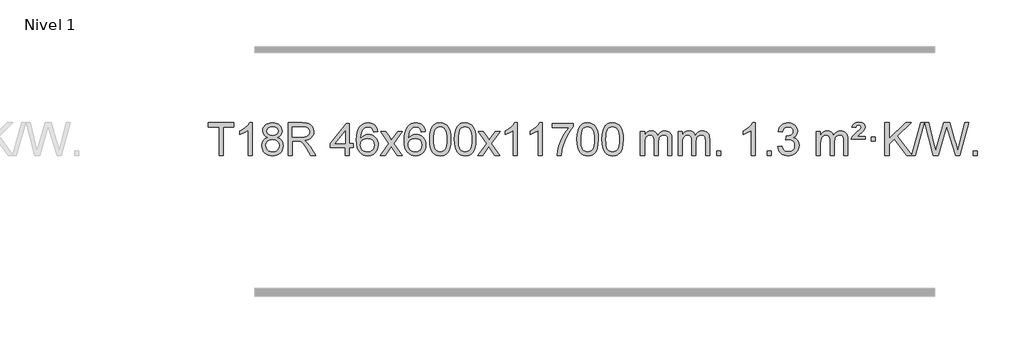
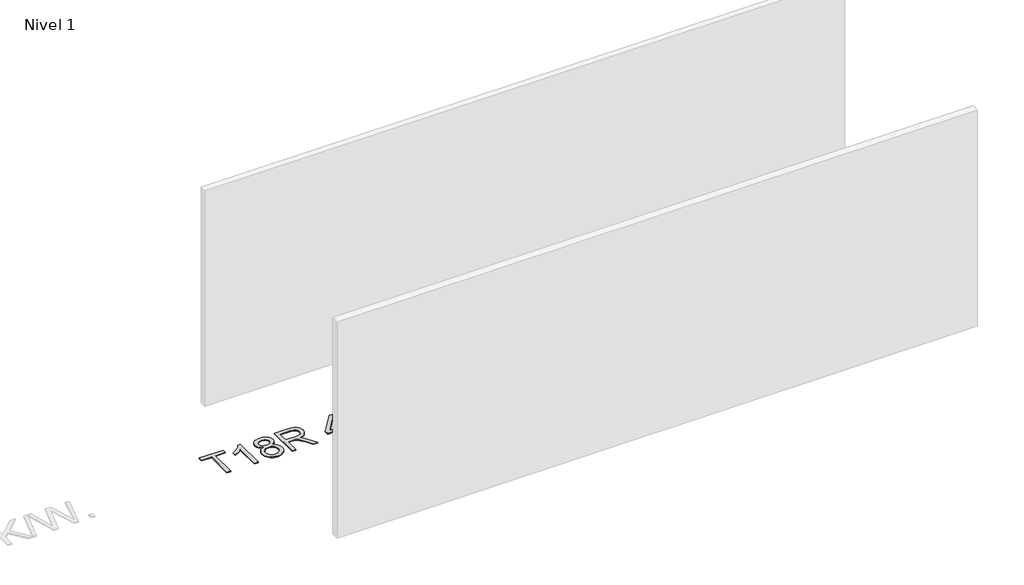
# One storey, part 7 of 7: 1 proxy.
"""IFC4 building model written with IfcOpenShell, lengths in millimetres."""

from ifc_helpers import new_model, si_unit, origin, origin_with_axes, place, context, project, spatial, polyline, outline, extrude, element, save

model = new_model("IFC4")

# Units and contexts
model_context = context("Model", 3, world=origin())
ifc_project = project(units=[si_unit("LENGTHUNIT", "METRE", prefix="MILLI")], contexts=[model_context])

# Site, building, storey
site = spatial("IfcSite", under=ifc_project)
building = spatial("IfcBuilding", under=site)
storey = spatial("IfcBuildingStorey", under=building, Name="Nivel 1", Elevation=0.0)

# Proxy
placement = place(None, origin())
element("IfcBuildingElementProxy", 1, Name="Texto de modelo 1", ObjectType="Texto de modelo 1", at=placement, inside=storey, context=model_context, shape_type="SweptSolid", body=[
    extrude(outline(polyline([(-14917.2438234, 8623.4579509), (-14917.2438234, 8975.0550364), (-15049.0927304, 8975.0550364), (-15049.0927304, 9025.2831915), (-14735.1667612, 9025.2831915), (-14735.1667612, 8975.0550364), (-14867.0156683, 8975.0550364), (-14867.0156683, 8623.4579509), (-14917.2438234, 8623.4579509)])), origin_with_axes(), (0.0, 0.0, 1.0), 10.0),
    extrude(outline(polyline([(-14509.1400634, 8623.4579509), (-14559.3682185, 8623.4579509), (-14559.3682185, 8936.5991052), (-14580.3374922, 8919.6397452), (-14606.9476232, 8902.7049107), (-14659.8245286, 8877.3455785), (-14659.8245286, 8924.8268813), (-14620.375316, 8946.2866644), (-14586.1990786, 8971.8176749), (-14559.2578539, 8998.9673661), (-14541.513679, 9025.2831915), (-14509.1400634, 9025.2831915), (-14509.1400634, 8623.4579509)])), origin_with_axes(), (0.0, 0.0, 1.0), 10.0),
    extrude(outline(polyline([(-14316.6642035, 8844.7757592), (-14343.5563773, 8858.019511), (-14362.4287237, 8875.9721524), (-14373.5755482, 8898.2658013), (-14377.2911563, 8924.5325757), (-14375.2678053, 8945.0174715), (-14369.1977524, 8963.7978474), (-14359.0809975, 8980.8737033), (-14344.9175407, 8996.2450393), (-14327.3879637, 9008.9492309), (-14307.172848, 9018.0236534), (-14284.2721938, 9023.468307), (-14258.6860011, 9025.2831915), (-14232.977181, 9023.4253874), (-14209.9048485, 9017.8519752), (-14189.4690037, 9008.5629548), (-14171.6696465, 8995.5583263), (-14157.2486723, 8979.8865533), (-14146.9479764, 8962.5960995), (-14140.7675589, 8943.686965), (-14138.7074197, 8923.1591496), (-14142.3739769, 8897.7385038), (-14153.3736486, 8875.8249996), (-14171.829062, 8857.9827228), (-14197.8628445, 8844.7757592), (-14166.9484942, 8828.8464688), (-14144.4463788, 8805.3878602), (-14130.7243804, 8775.528105), (-14126.1503809, 8740.3953744), (-14128.4189866, 8715.3426105), (-14135.2248035, 8692.3745113), (-14146.5678317, 8671.4910767), (-14162.4480711, 8652.6923068), (-14182.031656, 8637.1554238), (-14204.4847204, 8626.0576503), (-14229.8072644, 8619.3989862), (-14257.999288, 8617.1794315), (-14286.1913116, 8619.4081833), (-14311.5138556, 8626.0944385), (-14333.96692, 8637.2381973), (-14353.5505049, 8652.8394596), (-14369.4307443, 8671.7700539), (-14380.7737725, 8692.9018088), (-14387.5795894, 8716.2347244), (-14389.8481951, 8741.7688005), (-14385.0902546, 8778.2626945), (-14370.8164332, 8808.2818653), (-14347.7624948, 8830.7962434), (-14316.6642035, 8844.7757592)]), holes=[polyline([(-14327.0630012, 8923.0610478), (-14322.6116291, 8901.1352808), (-14309.2575127, 8883.6240979), (-14287.3930594, 8872.1461796), (-14257.4106768, 8868.3202069), (-14228.12727, 8872.1216542), (-14206.5939105, 8883.525996), (-14193.3501587, 8900.4485678), (-14188.9355748, 8920.8047049), (-14193.4973115, 8941.9333941), (-14207.1825217, 8959.4077889), (-14229.0101868, 8971.1432245), (-14257.999288, 8975.0550364), (-14287.1723302, 8971.2290637), (-14308.9632071, 8959.7511454), (-14322.5380527, 8942.9266755), (-14327.0630012, 8923.0610478)]), polyline([(-14339.62004, 8743.5346341), (-14337.5231126, 8724.3189312), (-14331.2323305, 8705.716365), (-14319.6195222, 8689.492769), (-14301.5565162, 8677.4139768), (-14279.9250549, 8669.9091841), (-14257.6068805, 8667.4075866), (-14223.4183805, 8672.6682991), (-14209.5247038, 8679.2441898), (-14197.7647427, 8688.4504367), (-14181.7250877, 8712.3505037), (-14176.378536, 8741.9650043), (-14181.8967659, 8772.0822769), (-14198.4514557, 8796.5096414), (-14210.5302479, 8805.951946), (-14224.6937047, 8812.6964492), (-14259.2746123, 8818.0920518), (-14292.9848657, 8812.7700256), (-14306.7221926, 8806.1174929), (-14318.3809861, 8796.803947), (-14334.3102765, 8772.8425664), (-14339.62004, 8743.5346341)])]), origin_with_axes(), (0.0, 0.0, 1.0), 10.0),
    extrude(outline(polyline([(-14063.3651871, 8623.4579509), (-14063.3651871, 9025.2831915), (-13890.2153947, 9025.2831915), (-13843.6783223, 9022.5731275), (-13809.820916, 9014.4429354), (-13785.0747205, 8999.43335), (-13765.8712803, 8976.085106), (-13753.5472335, 8947.132793), (-13749.4392179, 8915.3110004), (-13751.1406721, 8894.6728205), (-13756.2450348, 8875.7268977), (-13764.7523059, 8858.4732321), (-13776.6624855, 8842.9118237), (-13792.1288577, 8829.5393132), (-13811.3047067, 8818.8523413), (-13834.1900325, 8810.8509079), (-13860.7848351, 8805.535013), (-13832.2371923, 8784.0507045), (-13791.5249181, 8732.3510215), (-13724.5213441, 8623.4579509), (-13782.891954, 8623.4579509), (-13835.1802482, 8706.7464346), (-13872.9494664, 8761.8796829), (-13886.9902959, 8777.9561261), (-13899.486021, 8787.9257282), (-13923.3738252, 8797.4906601), (-13952.5100792, 8799.2564936), (-14013.137032, 8799.2564936), (-14013.137032, 8623.4579509), (-14063.3651871, 8623.4579509)]), holes=[polyline([(-14013.137032, 8849.4846487), (-13900.7122943, 8849.4846487), (-13868.4245178, 8851.262745), (-13843.371754, 8856.597034), (-13824.5116704, 8865.8431348), (-13810.8019347, 8879.3566667), (-13802.4510134, 8895.70289), (-13799.6673729, 8913.4470649), (-13804.9771364, 8937.9480058), (-13820.9064268, 8957.6910062), (-13833.0679924, 8965.2877694), (-13848.3136354, 8970.7140289), (-13888.0571537, 8975.0550364), (-14013.137032, 8975.0550364), (-14013.137032, 8849.4846487)])]), origin_with_axes(), (0.0, 0.0, 1.0), 10.0),
    extrude(outline(polyline([(-13360.171016, 8623.4579509), (-13360.171016, 8717.6357417), (-13542.2480782, 8717.6357417), (-13542.2480782, 8767.8638967), (-13347.6139773, 9019.0046721), (-13309.942861, 9019.0046721), (-13309.942861, 8767.8638967), (-13259.7147059, 8767.8638967), (-13259.7147059, 8717.6357417), (-13309.942861, 8717.6357417), (-13309.942861, 8623.4579509), (-13360.171016, 8623.4579509)]), holes=[polyline([(-13360.171016, 8767.8638967), (-13360.171016, 8923.0610478), (-13480.443903, 8767.8638967), (-13360.171016, 8767.8638967)])]), origin_with_axes(), (0.0, 0.0, 1.0), 10.0),
    extrude(outline(polyline([(-12958.3457754, 8918.5483619), (-13008.5739305, 8912.2698426), (-13016.6673344, 8937.1631909), (-13027.6056924, 8954.1593391), (-13050.3898506, 8969.8311121), (-13077.9319493, 8975.0550364), (-13101.2801933, 8972.0138786), (-13123.2550111, 8962.8904051), (-13142.1273575, 8943.6747022), (-13157.5416131, 8917.2239868), (-13167.9526736, 8879.8103879), (-13171.8154345, 8827.7060346), (-13151.6677639, 8851.2136941), (-13127.5224423, 8867.7806466), (-13100.7283703, 8877.6030959), (-13072.6344486, 8880.8772456), (-13048.5013897, 8878.6392968), (-13026.2322663, 8871.9254504), (-13005.8270783, 8860.7357064), (-12987.2858257, 8845.0700648), (-12971.8777015, 8825.8604933), (-12960.8718985, 8804.0389596), (-12954.2684167, 8779.6054637), (-12952.0672561, 8752.5600057), (-12956.2120599, 8716.5934093), (-12968.6464713, 8683.2510378), (-12988.3404208, 8654.9731751), (-13014.2638387, 8634.2001051), (-13045.2395027, 8621.4345999), (-13080.0901904, 8617.1794315), (-13110.0327191, 8619.9998601), (-13137.0751114, 8628.461146), (-13161.2173674, 8642.5632892), (-13182.4594869, 8662.3062896), (-13199.7775318, 8688.5240131), (-13212.1475639, 8722.0503256), (-13219.5695832, 8762.8852271), (-13222.0435896, 8811.0287175), (-13219.2967374, 8865.0031376), (-13211.0561807, 8911.0680947), (-13197.3219195, 8949.223589), (-13178.0939539, 8979.4696204), (-13157.2534389, 8999.5130577), (-13133.0897232, 9013.8297987), (-13105.6028067, 9022.4198433), (-13074.7926896, 9025.2831915), (-13051.6590435, 9023.5112265), (-13030.7204266, 9018.1953317), (-13011.976839, 9009.335507), (-12995.4282806, 8996.9317524), (-12981.5223411, 8981.4010008), (-12970.7066105, 8963.1601852), (-12962.9810886, 8942.2093056), (-12958.3457754, 8918.5483619)]), holes=[polyline([(-13171.8154345, 8753.3448206), (-13168.9091667, 8731.0879599), (-13160.1903635, 8709.8366434), (-13146.652306, 8691.5651709), (-13129.2882759, 8678.2478427), (-13108.3312649, 8670.1176506), (-13084.014265, 8667.4075866), (-13050.8680972, 8673.0239184), (-13036.9529608, 8680.0443331), (-13024.8097892, 8689.8729137), (-13014.9597488, 8702.1111215), (-13007.9240057, 8716.3604174), (-13002.2954111, 8750.892274), (-13007.8504293, 8784.0384418), (-13014.7942019, 8797.6592727), (-13024.5154836, 8809.3119348), (-13036.6954434, 8818.6469405), (-13051.01525, 8825.3148016), (-13086.0744042, 8830.6490906), (-13119.171521, 8825.3148016), (-13146.8485098, 8809.3119348), (-13157.7715393, 8797.8125568), (-13165.5737033, 8784.6515784), (-13170.2550017, 8769.8289997), (-13171.8154345, 8753.3448206)])]), origin_with_axes(), (0.0, 0.0, 1.0), 10.0),
    extrude(outline(polyline([(-12926.9531785, 8623.4579509), (-12819.6297378, 8771.7879713), (-12920.6746591, 8918.5483619), (-12860.2439101, 8918.5483619), (-12811.487283, 8847.9150189), (-12788.7276502, 8814.5603846), (-12769.0091753, 8841.8327032), (-12713.4835195, 8918.5483619), (-12653.0527704, 8918.5483619), (-12759.1989887, 8771.7879713), (-12656.976845, 8623.4579509), (-12717.4075941, 8623.4579509), (-12778.9174637, 8712.6325465), (-12790.1991782, 8728.9174562), (-12866.5224294, 8623.4579509), (-12926.9531785, 8623.4579509)])), origin_with_axes(), (0.0, 0.0, 1.0), 10.0),
    extrude(outline(polyline([(-12368.1649533, 8918.5483619), (-12418.3931084, 8912.2698426), (-12426.4865123, 8937.1631909), (-12437.4248703, 8954.1593391), (-12460.2090285, 8969.8311121), (-12487.7511272, 8975.0550364), (-12511.0993712, 8972.0138786), (-12533.074189, 8962.8904051), (-12551.9465354, 8943.6747022), (-12567.360791, 8917.2239868), (-12577.7718514, 8879.8103879), (-12581.6346124, 8827.7060346), (-12561.4869418, 8851.2136941), (-12537.3416202, 8867.7806466), (-12510.5475482, 8877.6030959), (-12482.4536265, 8880.8772456), (-12458.3205676, 8878.6392968), (-12436.0514442, 8871.9254504), (-12415.6462562, 8860.7357064), (-12397.1050036, 8845.0700648), (-12381.6968794, 8825.8604933), (-12370.6910763, 8804.0389596), (-12364.0875945, 8779.6054637), (-12361.8864339, 8752.5600057), (-12366.0312377, 8716.5934093), (-12378.4656492, 8683.2510378), (-12398.1595987, 8654.9731751), (-12424.0830166, 8634.2001051), (-12455.0586806, 8621.4345999), (-12489.9093683, 8617.1794315), (-12519.851897, 8619.9998601), (-12546.8942893, 8628.461146), (-12571.0365452, 8642.5632892), (-12592.2786648, 8662.3062896), (-12609.5967097, 8688.5240131), (-12621.9667418, 8722.0503256), (-12629.388761, 8762.8852271), (-12631.8627675, 8811.0287175), (-12629.1159152, 8865.0031376), (-12620.8753585, 8911.0680947), (-12607.1410974, 8949.223589), (-12587.9131318, 8979.4696204), (-12567.0726167, 8999.5130577), (-12542.908901, 9013.8297987), (-12515.4219846, 9022.4198433), (-12484.6118675, 9025.2831915), (-12461.4782214, 9023.5112265), (-12440.5396045, 9018.1953317), (-12421.7960168, 9009.335507), (-12405.2474584, 8996.9317524), (-12391.341519, 8981.4010008), (-12380.5257884, 8963.1601852), (-12372.8002665, 8942.2093056), (-12368.1649533, 8918.5483619)]), holes=[polyline([(-12581.6346124, 8753.3448206), (-12578.7283446, 8731.0879599), (-12570.0095413, 8709.8366434), (-12556.4714839, 8691.5651709), (-12539.1074537, 8678.2478427), (-12518.1504427, 8670.1176506), (-12493.8334429, 8667.4075866), (-12460.6872751, 8673.0239184), (-12446.7721386, 8680.0443331), (-12434.6289671, 8689.8729137), (-12424.7789267, 8702.1111215), (-12417.7431835, 8716.3604174), (-12412.114589, 8750.892274), (-12417.6696071, 8784.0384418), (-12424.6133798, 8797.6592727), (-12434.3346615, 8809.3119348), (-12446.5146212, 8818.6469405), (-12460.8344279, 8825.3148016), (-12495.893582, 8830.6490906), (-12528.9906989, 8825.3148016), (-12556.6676876, 8809.3119348), (-12567.5907172, 8797.8125568), (-12575.3928812, 8784.6515784), (-12580.0741796, 8769.8289997), (-12581.6346124, 8753.3448206)])]), origin_with_axes(), (0.0, 0.0, 1.0), 10.0),
    extrude(outline(polyline([(-12317.9367982, 8821.1332096), (-12314.2457156, 8885.4512451), (-12303.1724675, 8936.746258), (-12284.8274187, 8975.8030631), (-12272.9693557, 8991.0364434), (-12259.3209337, 9003.4064755), (-12243.8361674, 9012.9775387), (-12226.4690715, 9019.8140125), (-12186.0878912, 9025.2831915), (-12155.1367526, 9022.0458299), (-12127.4229757, 9012.3337453), (-12104.24641, 8996.5270822), (-12086.9069053, 8975.0059855), (-12073.8103062, 8947.9543961), (-12063.3624576, 8915.5562551), (-12056.5198525, 8874.4147853), (-12054.2389841, 8821.1332096), (-12057.8932786, 8757.1830561), (-12068.856162, 8706.0106706), (-12087.0908463, 8666.9170772), (-12098.9213181, 8651.6377117), (-12112.5605431, 8639.2033003), (-12128.0637035, 8629.5678577), (-12145.4859816, 8622.6853987), (-12186.0878912, 8617.1794315), (-12213.7526172, 8619.5706645), (-12238.2780835, 8626.7443634), (-12259.6642902, 8638.7005282), (-12277.9112372, 8655.439159), (-12295.4224201, 8685.6974531), (-12307.930408, 8723.3992262), (-12315.4352007, 8768.5444784), (-12317.9367982, 8821.1332096)]), holes=[polyline([(-12267.7086432, 8821.2313115), (-12266.2371152, 8777.5667843), (-12261.8225312, 8742.2225217), (-12254.4648913, 8715.1985234), (-12244.1641955, 8696.4947897), (-12231.7052586, 8683.7691383), (-12217.8728956, 8674.6793873), (-12202.6671064, 8669.2255368), (-12186.0878912, 8667.4075866), (-12169.5086759, 8669.2316681), (-12154.3028868, 8674.7039128), (-12140.4705238, 8683.8243206), (-12128.0115869, 8696.5928915), (-12117.710891, 8715.3272821), (-12110.3532511, 8742.345149), (-12105.9386672, 8777.6464921), (-12104.4671392, 8821.2313115), (-12105.8896162, 8863.740076), (-12110.1570474, 8898.462005), (-12117.2694326, 8925.3970984), (-12127.2267719, 8944.5453563), (-12139.4772424, 8957.8933413), (-12153.4690209, 8967.4276164), (-12169.2021076, 8973.1481814), (-12186.6765024, 8975.0550364), (-12203.1698785, 8973.375042), (-12218.1181502, 8968.3350586), (-12231.5213176, 8959.9350864), (-12243.3793805, 8948.1751253), (-12254.0234329, 8927.3284789), (-12261.6263275, 8899.2222945), (-12266.1880643, 8863.856572), (-12267.7086432, 8821.2313115)])]), origin_with_axes(), (0.0, 0.0, 1.0), 10.0),
    extrude(outline(polyline([(-12010.2893484, 8821.1332096), (-12006.5982657, 8885.4512451), (-11995.5250177, 8936.746258), (-11977.1799688, 8975.8030631), (-11965.3219059, 8991.0364434), (-11951.6734838, 9003.4064755), (-11936.1887175, 9012.9775387), (-11918.8216217, 9019.8140125), (-11878.4404413, 9025.2831915), (-11847.4893028, 9022.0458299), (-11819.7755258, 9012.3337453), (-11796.5989601, 8996.5270822), (-11779.2594554, 8975.0059855), (-11766.1628564, 8947.9543961), (-11755.7150077, 8915.5562551), (-11748.8724026, 8874.4147853), (-11746.5915343, 8821.1332096), (-11750.2458287, 8757.1830561), (-11761.2087122, 8706.0106706), (-11779.4433964, 8666.9170772), (-11791.2738683, 8651.6377117), (-11804.9130932, 8639.2033003), (-11820.4162536, 8629.5678577), (-11837.8385318, 8622.6853987), (-11878.4404413, 8617.1794315), (-11906.1051674, 8619.5706645), (-11930.6306337, 8626.7443634), (-11952.0168404, 8638.7005282), (-11970.2637873, 8655.439159), (-11987.7749703, 8685.6974531), (-12000.2829581, 8723.3992262), (-12007.7877508, 8768.5444784), (-12010.2893484, 8821.1332096)]), holes=[polyline([(-11960.0611933, 8821.2313115), (-11958.5896654, 8777.5667843), (-11954.1750814, 8742.2225217), (-11946.8174415, 8715.1985234), (-11936.5167456, 8696.4947897), (-11924.0578087, 8683.7691383), (-11910.2254457, 8674.6793873), (-11895.0196566, 8669.2255368), (-11878.4404413, 8667.4075866), (-11861.8612261, 8669.2316681), (-11846.655437, 8674.7039128), (-11832.8230739, 8683.8243206), (-11820.364137, 8696.5928915), (-11810.0634412, 8715.3272821), (-11802.7058013, 8742.345149), (-11798.2912173, 8777.6464921), (-11796.8196893, 8821.2313115), (-11798.2421664, 8863.740076), (-11802.5095975, 8898.462005), (-11809.6219828, 8925.3970984), (-11819.5793221, 8944.5453563), (-11831.8297925, 8957.8933413), (-11845.8215711, 8967.4276164), (-11861.5546578, 8973.1481814), (-11879.0290525, 8975.0550364), (-11895.5224286, 8973.375042), (-11910.4707004, 8968.3350586), (-11923.8738677, 8959.9350864), (-11935.7319307, 8948.1751253), (-11946.3759831, 8927.3284789), (-11953.9788777, 8899.2222945), (-11958.5406144, 8863.856572), (-11960.0611933, 8821.2313115)])]), origin_with_axes(), (0.0, 0.0, 1.0), 10.0),
    extrude(outline(polyline([(-11721.4774567, 8623.4579509), (-11614.154016, 8771.7879713), (-11715.1989373, 8918.5483619), (-11654.7681883, 8918.5483619), (-11606.0115612, 8847.9150189), (-11583.2519284, 8814.5603846), (-11563.5334535, 8841.8327032), (-11508.0077977, 8918.5483619), (-11447.5770486, 8918.5483619), (-11553.7232669, 8771.7879713), (-11451.5011232, 8623.4579509), (-11511.9318723, 8623.4579509), (-11573.4417419, 8712.6325465), (-11584.7234564, 8728.9174562), (-11661.0467077, 8623.4579509), (-11721.4774567, 8623.4579509)])), origin_with_axes(), (0.0, 0.0, 1.0), 10.0),
    extrude(outline(polyline([(-11231.7529447, 8623.4579509), (-11281.9810998, 8623.4579509), (-11281.9810998, 8936.5991052), (-11302.9503735, 8919.6397452), (-11329.5605045, 8902.7049107), (-11382.43741, 8877.3455785), (-11382.43741, 8924.8268813), (-11342.9881974, 8946.2866644), (-11308.81196, 8971.8176749), (-11281.8707352, 8998.9673661), (-11264.1265603, 9025.2831915), (-11231.7529447, 9025.2831915), (-11231.7529447, 8623.4579509)])), origin_with_axes(), (0.0, 0.0, 1.0), 10.0),
    extrude(outline(polyline([(-10924.1054949, 8623.4579509), (-10974.33365, 8623.4579509), (-10974.33365, 8936.5991052), (-10995.3029237, 8919.6397452), (-11021.9130547, 8902.7049107), (-11074.7899601, 8877.3455785), (-11074.7899601, 8924.8268813), (-11035.3407475, 8946.2866644), (-11001.1645102, 8971.8176749), (-10974.2232854, 8998.9673661), (-10956.4791105, 9025.2831915), (-10924.1054949, 9025.2831915), (-10924.1054949, 8623.4579509)])), origin_with_axes(), (0.0, 0.0, 1.0), 10.0),
    extrude(outline(polyline([(-10804.8136266, 8968.776517), (-10804.8136266, 9019.0046721), (-10541.1158125, 9019.0046721), (-10541.1158125, 8978.3904998), (-10578.7010896, 8930.8233579), (-10615.9184848, 8870.3312951), (-10648.7458215, 8802.4325415), (-10673.1609233, 8732.6453271), (-10685.1293508, 8680.4306092), (-10691.8002777, 8623.4579509), (-10742.0284328, 8623.4579509), (-10736.596042, 8675.2312103), (-10722.0647032, 8736.7656054), (-10698.8268238, 8801.9910831), (-10667.2748113, 8864.8375907), (-10630.4375609, 8921.6508334), (-10591.3439675, 8968.776517), (-10804.8136266, 8968.776517)])), origin_with_axes(), (0.0, 0.0, 1.0), 10.0),
    extrude(outline(polyline([(-10497.1661768, 8821.1332096), (-10493.4750941, 8885.4512451), (-10482.401846, 8936.746258), (-10464.0567972, 8975.8030631), (-10452.1987342, 8991.0364434), (-10438.5503122, 9003.4064755), (-10423.0655459, 9012.9775387), (-10405.69845, 9019.8140125), (-10365.3172697, 9025.2831915), (-10334.3661312, 9022.0458299), (-10306.6523542, 9012.3337453), (-10283.4757885, 8996.5270822), (-10266.1362838, 8975.0059855), (-10253.0396848, 8947.9543961), (-10242.5918361, 8915.5562551), (-10235.749231, 8874.4147853), (-10233.4683626, 8821.1332096), (-10237.1226571, 8757.1830561), (-10248.0855406, 8706.0106706), (-10266.3202248, 8666.9170772), (-10278.1506966, 8651.6377117), (-10291.7899216, 8639.2033003), (-10307.293082, 8629.5678577), (-10324.7153602, 8622.6853987), (-10365.3172697, 8617.1794315), (-10392.9819957, 8619.5706645), (-10417.5074621, 8626.7443634), (-10438.8936687, 8638.7005282), (-10457.1406157, 8655.439159), (-10474.6517987, 8685.6974531), (-10487.1597865, 8723.3992262), (-10494.6645792, 8768.5444784), (-10497.1661768, 8821.1332096)]), holes=[polyline([(-10446.9380217, 8821.2313115), (-10445.4664937, 8777.5667843), (-10441.0519098, 8742.2225217), (-10433.6942699, 8715.1985234), (-10423.393574, 8696.4947897), (-10410.9346371, 8683.7691383), (-10397.1022741, 8674.6793873), (-10381.896485, 8669.2255368), (-10365.3172697, 8667.4075866), (-10348.7380545, 8669.2316681), (-10333.5322653, 8674.7039128), (-10319.6999023, 8683.8243206), (-10307.2409654, 8696.5928915), (-10296.9402695, 8715.3272821), (-10289.5826296, 8742.345149), (-10285.1680457, 8777.6464921), (-10283.6965177, 8821.2313115), (-10285.1189948, 8863.740076), (-10289.3864259, 8898.462005), (-10296.4988111, 8925.3970984), (-10306.4561505, 8944.5453563), (-10318.7066209, 8957.8933413), (-10332.6983995, 8967.4276164), (-10348.4314861, 8973.1481814), (-10365.9058809, 8975.0550364), (-10382.399257, 8973.375042), (-10397.3475288, 8968.3350586), (-10410.7506961, 8959.9350864), (-10422.6087591, 8948.1751253), (-10433.2528115, 8927.3284789), (-10440.855706, 8899.2222945), (-10445.4174428, 8863.856572), (-10446.9380217, 8821.2313115)])]), origin_with_axes(), (0.0, 0.0, 1.0), 10.0),
    extrude(outline(polyline([(-10189.5187269, 8821.1332096), (-10185.8276443, 8885.4512451), (-10174.7543962, 8936.746258), (-10156.4093474, 8975.8030631), (-10144.5512844, 8991.0364434), (-10130.9028624, 9003.4064755), (-10115.4180961, 9012.9775387), (-10098.0510002, 9019.8140125), (-10057.6698199, 9025.2831915), (-10026.7186813, 9022.0458299), (-9999.0049044, 9012.3337453), (-9975.8283387, 8996.5270822), (-9958.488834, 8975.0059855), (-9945.3922349, 8947.9543961), (-9934.9443863, 8915.5562551), (-9928.1017812, 8874.4147853), (-9925.8209128, 8821.1332096), (-9929.4752073, 8757.1830561), (-9940.4380907, 8706.0106706), (-9958.672775, 8666.9170772), (-9970.5032468, 8651.6377117), (-9984.1424718, 8639.2033003), (-9999.6456322, 8629.5678577), (-10017.0679103, 8622.6853987), (-10057.6698199, 8617.1794315), (-10085.3345459, 8619.5706645), (-10109.8600123, 8626.7443634), (-10131.2462189, 8638.7005282), (-10149.4931659, 8655.439159), (-10167.0043488, 8685.6974531), (-10179.5123367, 8723.3992262), (-10187.0171294, 8768.5444784), (-10189.5187269, 8821.1332096)]), holes=[polyline([(-10139.2905719, 8821.2313115), (-10137.8190439, 8777.5667843), (-10133.4044599, 8742.2225217), (-10126.04682, 8715.1985234), (-10115.7461242, 8696.4947897), (-10103.2871873, 8683.7691383), (-10089.4548243, 8674.6793873), (-10074.2490351, 8669.2255368), (-10057.6698199, 8667.4075866), (-10041.0906046, 8669.2316681), (-10025.8848155, 8674.7039128), (-10012.0524525, 8683.8243206), (-9999.5935156, 8696.5928915), (-9989.2928197, 8715.3272821), (-9981.9351798, 8742.345149), (-9977.5205959, 8777.6464921), (-9976.0490679, 8821.2313115), (-9977.4715449, 8863.740076), (-9981.7389761, 8898.462005), (-9988.8513613, 8925.3970984), (-9998.8087006, 8944.5453563), (-10011.0591711, 8957.8933413), (-10025.0509496, 8967.4276164), (-10040.7840363, 8973.1481814), (-10058.2584311, 8975.0550364), (-10074.7518072, 8973.375042), (-10089.7000789, 8968.3350586), (-10103.1032463, 8959.9350864), (-10114.9613093, 8948.1751253), (-10125.6053616, 8927.3284789), (-10133.2082562, 8899.2222945), (-10137.769993, 8863.856572), (-10139.2905719, 8821.2313115)])]), origin_with_axes(), (0.0, 0.0, 1.0), 10.0),
    extrude(outline(polyline([(-9712.3512537, 8623.4579509), (-9712.3512537, 8918.5483619), (-9662.1230987, 8918.5483619), (-9662.1230987, 8869.9879386), (-9647.0154114, 8892.2938502), (-9627.591242, 8909.768245), (-9604.5127782, 8921.0622222), (-9578.4422075, 8924.8268813), (-9550.5077013, 8920.9886459), (-9528.1159505, 8909.4739394), (-9511.3895825, 8891.0430514), (-9500.4512245, 8866.4562714), (-9482.1429639, 8891.9934133), (-9461.2595293, 8910.2342289), (-9437.8009207, 8921.1787182), (-9411.7671382, 8924.8268813), (-9391.6593215, 8923.3093681), (-9374.0101828, 8918.7568284), (-9358.8197221, 8911.1692623), (-9346.0879393, 8900.5466697), (-9336.0233011, 8886.7664232), (-9328.8342738, 8869.7058957), (-9324.5208574, 8849.3650871), (-9323.0830519, 8825.7439973), (-9323.0830519, 8623.4579509), (-9373.311207, 8623.4579509), (-9373.311207, 8804.1615869), (-9374.4761666, 8829.2143508), (-9377.9710456, 8846.1001344), (-9384.5193451, 8857.6638917), (-9394.8445664, 8866.750577), (-9408.1251065, 8872.636689), (-9423.5393621, 8874.5987263), (-9450.750367, 8869.5710057), (-9472.9336513, 8854.4878439), (-9481.5390243, 8842.9179551), (-9487.6857193, 8828.3191713), (-9492.6030753, 8790.0349183), (-9492.6030753, 8623.4579509), (-9542.8312304, 8623.4579509), (-9542.8312304, 8809.7533932), (-9545.7374981, 8838.1538833), (-9554.4563014, 8858.4119185), (-9569.7969806, 8870.5520243), (-9592.5688761, 8874.5987263), (-9611.919469, 8871.900925), (-9629.7494831, 8863.8075211), (-9644.4647629, 8850.5147183), (-9654.4711532, 8832.2187204), (-9660.2101123, 8806.8348627), (-9662.1230987, 8772.2784807), (-9662.1230987, 8623.4579509), (-9712.3512537, 8623.4579509)])), origin_with_axes(), (0.0, 0.0, 1.0), 10.0),
    extrude(outline(polyline([(-9247.7408193, 8623.4579509), (-9247.7408193, 8918.5483619), (-9197.5126642, 8918.5483619), (-9197.5126642, 8869.9879386), (-9182.4049769, 8892.2938502), (-9162.9808076, 8909.768245), (-9139.9023438, 8921.0622222), (-9113.831773, 8924.8268813), (-9085.8972669, 8920.9886459), (-9063.5055161, 8909.4739394), (-9046.7791481, 8891.0430514), (-9035.8407901, 8866.4562714), (-9017.5325294, 8891.9934133), (-8996.6490948, 8910.2342289), (-8973.1904863, 8921.1787182), (-8947.1567038, 8924.8268813), (-8927.048887, 8923.3093681), (-8909.3997483, 8918.7568284), (-8894.2092876, 8911.1692623), (-8881.4775049, 8900.5466697), (-8871.4128666, 8886.7664232), (-8864.2238393, 8869.7058957), (-8859.9104229, 8849.3650871), (-8858.4726175, 8825.7439973), (-8858.4726175, 8623.4579509), (-8908.7007725, 8623.4579509), (-8908.7007725, 8804.1615869), (-8909.8657322, 8829.2143508), (-8913.3606111, 8846.1001344), (-8919.9089107, 8857.6638917), (-8930.234132, 8866.750577), (-8943.514672, 8872.636689), (-8958.9289276, 8874.5987263), (-8986.1399325, 8869.5710057), (-9008.3232168, 8854.4878439), (-9016.9285898, 8842.9179551), (-9023.0752848, 8828.3191713), (-9027.9926408, 8790.0349183), (-9027.9926408, 8623.4579509), (-9078.2207959, 8623.4579509), (-9078.2207959, 8809.7533932), (-9081.1270637, 8838.1538833), (-9089.845867, 8858.4119185), (-9105.1865462, 8870.5520243), (-9127.9584417, 8874.5987263), (-9147.3090346, 8871.900925), (-9165.1390486, 8863.8075211), (-9179.8543284, 8850.5147183), (-9189.8607187, 8832.2187204), (-9195.5996778, 8806.8348627), (-9197.5126642, 8772.2784807), (-9197.5126642, 8623.4579509), (-9247.7408193, 8623.4579509)])), origin_with_axes(), (0.0, 0.0, 1.0), 10.0),
    extrude(outline(polyline([(-8770.5733461, 8623.4579509), (-8770.5733461, 8673.686106), (-8720.345191, 8673.686106), (-8720.345191, 8623.4579509), (-8770.5733461, 8623.4579509)])), origin_with_axes(), (0.0, 0.0, 1.0), 10.0),
    extrude(outline(polyline([(-8293.4058729, 8623.4579509), (-8343.6340279, 8623.4579509), (-8343.6340279, 8936.5991052), (-8364.6033017, 8919.6397452), (-8391.2134327, 8902.7049107), (-8444.0903381, 8877.3455785), (-8444.0903381, 8924.8268813), (-8404.6411255, 8946.2866644), (-8370.4648881, 8971.8176749), (-8343.5236633, 8998.9673661), (-8325.7794884, 9025.2831915), (-8293.4058729, 9025.2831915), (-8293.4058729, 8623.4579509)])), origin_with_axes(), (0.0, 0.0, 1.0), 10.0),
    extrude(outline(polyline([(-8148.999927, 8623.4579509), (-8148.999927, 8673.686106), (-8098.771772, 8673.686106), (-8098.771772, 8623.4579509), (-8148.999927, 8623.4579509)])), origin_with_axes(), (0.0, 0.0, 1.0), 10.0),
    extrude(outline(polyline([(-8017.15102, 8730.1927804), (-7966.9228649, 8736.4712998), (-7955.6779386, 8704.9070246), (-7939.2090879, 8683.5943944), (-7916.7069725, 8671.4542885), (-7887.3622521, 8667.4075866), (-7852.9284973, 8672.9748674), (-7838.6546759, 8679.9339685), (-7826.3428918, 8689.67671), (-7809.3467436, 8714.5945838), (-7803.6813609, 8744.8099584), (-7809.2976927, 8773.4924913), (-7826.1466881, 8796.7548961), (-7851.6531731, 8812.1691517), (-7883.2419737, 8817.3072369), (-7918.4605434, 8811.8135324), (-7912.8687371, 8862.0416875), (-7904.8243841, 8861.4530763), (-7874.7316369, 8865.0583199), (-7847.8272003, 8875.8740505), (-7836.7539523, 8884.0532935), (-7828.8444894, 8894.1700484), (-7824.0988116, 8906.2243151), (-7822.516919, 8920.2160937), (-7827.1031813, 8941.9088686), (-7840.8619679, 8959.5058907), (-7861.8557671, 8971.16775), (-7888.147067, 8975.0550364), (-7914.4874178, 8971.1309618), (-7936.0207773, 8959.3587379), (-7951.7416012, 8939.7383649), (-7960.6443455, 8912.2698426), (-8010.8725006, 8918.5483619), (-8004.9189436, 8942.5281367), (-7996.0836444, 8963.6506946), (-7984.3666028, 8981.9160356), (-7969.767819, 8997.3241599), (-7952.7471453, 9009.5562362), (-7933.7644344, 9018.2934336), (-7912.8196861, 9023.535752), (-7889.9129006, 9025.2831915), (-7858.3363626, 9021.8373635), (-7829.3349987, 9011.4998794), (-7804.8831087, 8995.1904443), (-7786.9549928, 8973.8287631), (-7775.9553212, 8949.2174576), (-7772.288764, 8923.1591496), (-7775.7713802, 8898.8789379), (-7786.2192289, 8876.8550692), (-7803.4851572, 8858.0930874), (-7827.4220123, 8843.5985368), (-7795.9803645, 8830.8943452), (-7772.6811714, 8809.2628839), (-7758.2601972, 8779.8813752), (-7753.4532058, 8743.9270416), (-7755.8567015, 8718.445082), (-7763.0671886, 8694.9742107), (-7775.0846671, 8673.5144277), (-7791.909137, 8654.0657329), (-7812.4062955, 8637.927976), (-7835.4418398, 8626.4010068), (-7861.0157698, 8619.4848253), (-7889.1280856, 8617.1794315), (-7914.5364688, 8619.1476002), (-7937.688509, 8625.0521062), (-7958.5842063, 8634.8929496), (-7977.2235607, 8648.6701303), (-7992.8524142, 8665.574308), (-8004.7166085, 8684.7961422), (-8012.8161438, 8706.335633), (-8017.15102, 8730.1927804)])), origin_with_axes(), (0.0, 0.0, 1.0), 10.0),
    extrude(outline(polyline([(-7539.9835467, 8623.4579509), (-7539.9835467, 8918.5483619), (-7489.7553917, 8918.5483619), (-7489.7553917, 8869.9879386), (-7474.6477044, 8892.2938502), (-7455.2235351, 8909.768245), (-7432.1450712, 8921.0622222), (-7406.0745005, 8924.8268813), (-7378.1399943, 8920.9886459), (-7355.7482436, 8909.4739394), (-7339.0218755, 8891.0430514), (-7328.0835175, 8866.4562714), (-7309.7752569, 8891.9934133), (-7288.8918223, 8910.2342289), (-7265.4332137, 8921.1787182), (-7239.3994312, 8924.8268813), (-7219.2916145, 8923.3093681), (-7201.6424758, 8918.7568284), (-7186.4520151, 8911.1692623), (-7173.7202323, 8900.5466697), (-7163.6555941, 8886.7664232), (-7156.4665668, 8869.7058957), (-7152.1531504, 8849.3650871), (-7150.7153449, 8825.7439973), (-7150.7153449, 8623.4579509), (-7200.9435, 8623.4579509), (-7200.9435, 8804.1615869), (-7202.1084596, 8829.2143508), (-7205.6033386, 8846.1001344), (-7212.1516381, 8857.6638917), (-7222.4768594, 8866.750577), (-7235.7573995, 8872.636689), (-7251.1716551, 8874.5987263), (-7278.38266, 8869.5710057), (-7300.5659443, 8854.4878439), (-7309.1713173, 8842.9179551), (-7315.3180123, 8828.3191713), (-7320.2353683, 8790.0349183), (-7320.2353683, 8623.4579509), (-7370.4635234, 8623.4579509), (-7370.4635234, 8809.7533932), (-7373.3697911, 8838.1538833), (-7382.0885944, 8858.4119185), (-7397.4292736, 8870.5520243), (-7420.2011691, 8874.5987263), (-7439.5517621, 8871.900925), (-7457.3817761, 8863.8075211), (-7472.0970559, 8850.5147183), (-7482.1034462, 8832.2187204), (-7487.8424053, 8806.8348627), (-7489.7553917, 8772.2784807), (-7489.7553917, 8623.4579509), (-7539.9835467, 8623.4579509)])), origin_with_axes(), (0.0, 0.0, 1.0), 10.0),
    extrude(outline(polyline([(-7106.7657092, 8824.3705712), (-7102.9397365, 8840.189497), (-7094.6010779, 8856.0574737), (-7073.0922439, 8881.1960767), (-7041.1355613, 8908.9343791), (-6996.9897219, 8946.3111899), (-6989.8528112, 8957.838159), (-6987.4738409, 8969.6594338), (-6989.3623018, 8981.7504887), (-6995.0276846, 8991.5361498), (-7004.3964127, 8998.0108729), (-7017.3949099, 9000.1691139), (-7029.8293213, 8998.5504332), (-7038.6830147, 8993.6943908), (-7045.1086868, 8984.2275608), (-7050.2590348, 8968.776517), (-7100.4871898, 8975.0550364), (-7089.6469337, 9000.2672158), (-7073.0186675, 9017.8274497), (-7049.2534906, 9028.1281456), (-7017.0025024, 9031.5617109), (-6981.219847, 9027.4291698), (-6956.4736515, 9015.0315466), (-6942.0526773, 8996.6987605), (-6937.2456859, 8974.7607308), (-6941.3414387, 8951.8539452), (-6953.6286974, 8930.2224839), (-6974.1565127, 8910.4059071), (-7010.6258812, 8882.3487736), (-7036.230468, 8855.7631681), (-6937.2456859, 8855.7631681), (-6937.2456859, 8824.3705712), (-7106.7657092, 8824.3705712)])), origin_with_axes(), (0.0, 0.0, 1.0), 10.0),
    extrude(outline(polyline([(-6861.9034532, 8799.2564936), (-6861.9034532, 8849.4846487), (-6811.6752982, 8849.4846487), (-6811.6752982, 8799.2564936), (-6861.9034532, 8799.2564936)])), origin_with_axes(), (0.0, 0.0, 1.0), 10.0),
    extrude(outline(polyline([(-6421.0336702, 8623.4579509), (-6574.4649877, 8826.1364048), (-6642.1552748, 8761.5853773), (-6642.1552748, 8623.4579509), (-6692.3834299, 8623.4579509), (-6692.3834299, 9025.2831915), (-6642.1552748, 9025.2831915), (-6642.1552748, 8828.5889514), (-6436.1413575, 9025.2831915), (-6365.9004219, 9025.2831915), (-6538.8540105, 8860.0796502), (-6364.2004007, 8629.5024707), (-6252.887073, 9025.2831915), (-6207.5640112, 9025.2831915), (-6320.5773601, 8623.4579509), (-6359.6219025, 8623.4579509), (-6365.9004219, 8623.4579509), (-6421.0336702, 8623.4579509)])), origin_with_axes(), (0.0, 0.0, 1.0), 10.0),
    extrude(outline(polyline([(-6093.0791343, 8623.4579509), (-6202.6589179, 9025.2831915), (-6150.861133, 9025.2831915), (-6087.2911242, 8761.1929699), (-6067.6707511, 8679.6703197), (-6046.6769519, 8751.7751908), (-5967.0182372, 9025.2831915), (-5892.3627177, 9025.2831915), (-5834.4826171, 8827.0193215), (-5809.6873706, 8753.4429225), (-5791.4158982, 8679.6703197), (-5772.3841363, 8758.8385251), (-5708.2255164, 9025.2831915), (-5656.4277314, 9025.2831915), (-5766.1056169, 8623.4579509), (-5819.7673373, 8623.4579509), (-5916.1033691, 8933.4598455), (-5929.5433247, 8976.7227681), (-5944.6510119, 8924.6306776), (-6032.4521814, 8623.4579509), (-6093.0791343, 8623.4579509)])), origin_with_axes(), (0.0, 0.0, 1.0), 10.0),
    extrude(outline(polyline([(-5599.921057, 8623.4579509), (-5599.921057, 8673.686106), (-5549.6929019, 8673.686106), (-5549.6929019, 8623.4579509), (-5599.921057, 8623.4579509)])), origin_with_axes(), (0.0, 0.0, 1.0), 10.0),
])

save(model, "model.ifc")
